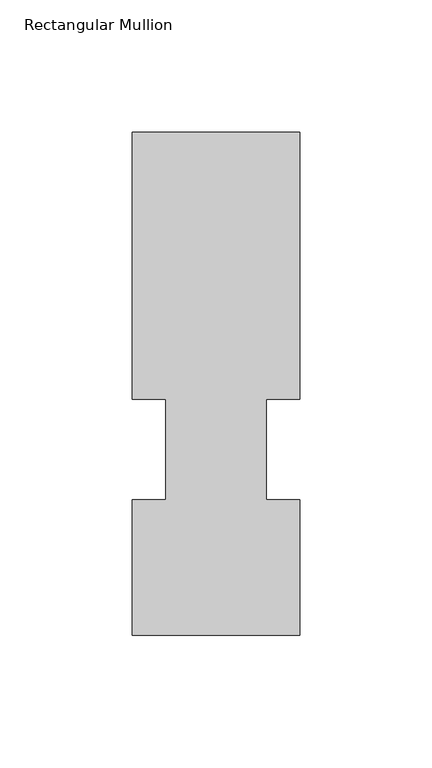
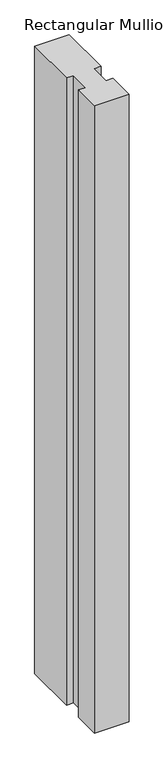
"""IFC4 building model written with IfcOpenShell, lengths in millimetres: member geometry, Rectangular Mullion."""

from ifc_helpers import new_model, si_unit, frame, origin, place, context, project, spatial, polyline, outline, extrude, source, transform, mapped, element, save


def rectangular_mullion_b25d4675(model_context):
    return source(origin(), model_context, "Body", "SweptSolid", [
        extrude(outline(polyline([(-31.75, 190.7881312), (31.75, 190.7881312), (31.75, 89.5945313), (19.05, 89.5945313), (19.05, 51.4945313), (31.75, 51.4945313), (31.75, 0.2119313), (-31.75, 0.2119313), (-31.75, 51.4945313), (-19.05, 51.4945313), (-19.05, 89.5945313), (-31.75, 89.5945313), (-31.75, 190.7881312)])), frame((0.0, 0.0, -1219.2), z_axis=(0.0, 0.0, 1.0), x_axis=(1.0, 0.0, 0.0)), (0.0, 0.0, 1.0), 1219.2),
    ])


if __name__ == "__main__":
    model = new_model("IFC4")
    model_context = context("Model", 3, world=origin())
    ifc_project = project(units=[si_unit("LENGTHUNIT", "METRE", prefix="MILLI")], contexts=[model_context])
    site = spatial("IfcSite", under=ifc_project)
    building = spatial("IfcBuilding", under=site)
    placement = place(None, origin())
    rectangular_mullion_shape = rectangular_mullion_b25d4675(model_context)
    element("IfcMember", 1, ObjectType="Rectangular Mullion", at=placement, inside=building, context=model_context, shape_type="MappedRepresentation", body=[
        mapped(rectangular_mullion_shape, transform((0.0, 0.0, 0.0), x_axis=(1.0, 0.0, 0.0), y_axis=(0.0, 1.0, 0.0), z_axis=(0.0, 0.0, 1.0))),
    ])
    save(model, "model.ifc")
